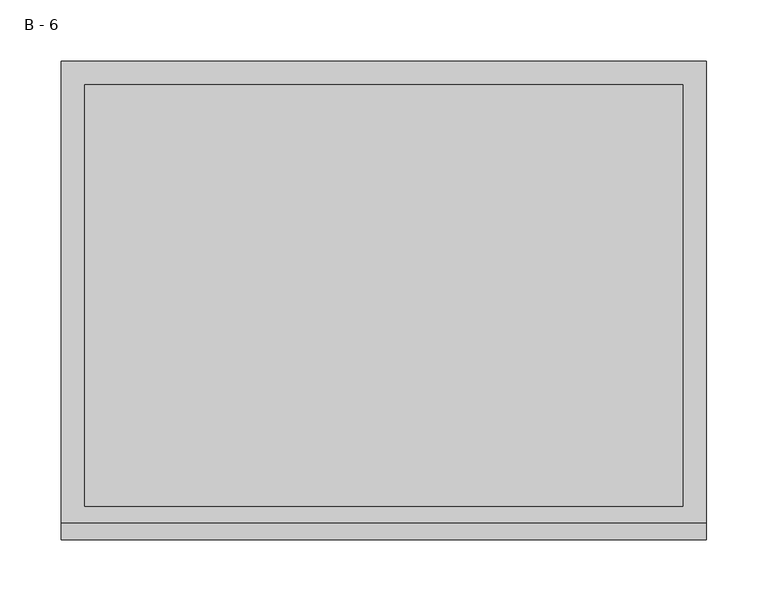
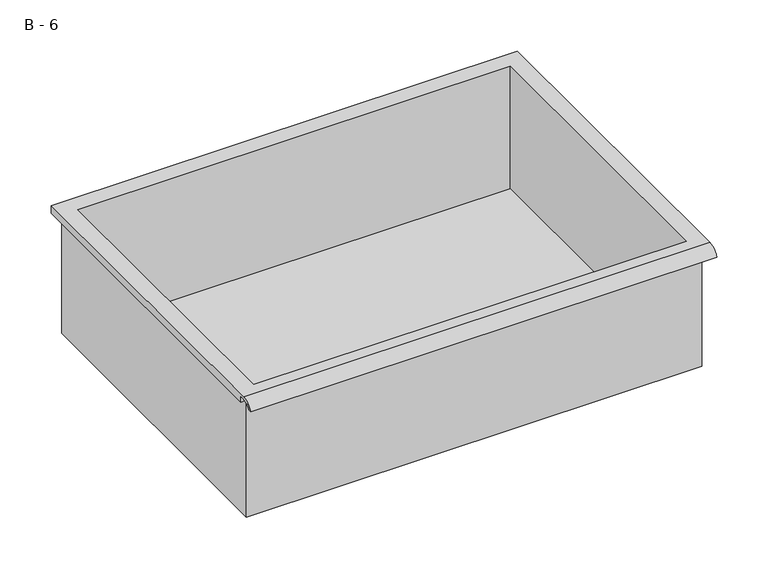
"""IFC4 building model written with IfcOpenShell, lengths in millimetres: furniture geometry, B - 6."""

import ifcopenshell
import ifcopenshell.guid

model = None  # the IFC model being written
_history = None  # IfcOwnerHistory: only IFC2X3 demands one
_inside = {}  # id of a spatial element -> (the spatial element, [elements in it])
_under = {}  # id of a project, library or spatial element -> (it, [spatial elements below it])
_declared = {}  # id of a project -> (the project, [libraries it declares])
_typed = {}  # id of a type object -> (the type object, [elements of that type])
_made_of = {}  # id of a material, layer set ... -> (it, [elements and type objects made of it])


def new_model(schema):
    """Start an empty IFC model of exactly this schema.

    Asked for "IFC4X3", IfcOpenShell would pick the latest addendum, in which some entities
    have other attributes; the version numbers below select the first issue.
    IFC2X3 requires an IfcOwnerHistory on every rooted entity: one is made here for all.
    """
    global model, _history
    if schema == "IFC4X3":
        model = ifcopenshell.file(schema_version=(4, 3, 0, 0))
    else:
        model = ifcopenshell.file(schema=schema)
    _inside.clear()
    _under.clear()
    _declared.clear()
    _typed.clear()
    _made_of.clear()
    _history = None
    if model.schema == "IFC2X3":
        org = make("IfcOrganization", Name="unknown")
        user = make(
            "IfcPersonAndOrganization",
            ThePerson=make("IfcPerson", FamilyName="unknown"),
            TheOrganization=org,
        )
        app = make(
            "IfcApplication",
            ApplicationDeveloper=org,
            Version="unknown",
            ApplicationFullName="unknown",
            ApplicationIdentifier="unknown",
        )
        _history = make(
            "IfcOwnerHistory",
            OwningUser=user,
            OwningApplication=app,
            ChangeAction="ADDED",
            CreationDate=0,
        )
    return model


def make(cls, **values):
    """One entity of the class cls with the attributes given. An attribute that is None is left unset."""
    return model.create_entity(
        cls, **{name: value for name, value in values.items() if value is not None}
    )


def rooted(cls, **values):
    """An entity with a GlobalId (a new one), such as an element, a storey or a relation."""
    return make(cls, GlobalId=ifcopenshell.guid.new(), OwnerHistory=_history, **values)


def si_unit(unit_type, name, prefix=None):
    """IfcSIUnit, for example si_unit("LENGTHUNIT", "METRE", prefix="MILLI")."""
    return make("IfcSIUnit", UnitType=unit_type, Prefix=prefix, Name=name)


def assignment(units):
    """IfcUnitAssignment: the units of a project."""
    return None if units is None else make("IfcUnitAssignment", Units=units)


def point(xyz):
    """IfcCartesianPoint."""
    return None if xyz is None else make("IfcCartesianPoint", Coordinates=xyz)


def direction(xyz):
    """IfcDirection."""
    return None if xyz is None else make("IfcDirection", DirectionRatios=xyz)


def frame(location, z_axis=None, x_axis=None):
    """IfcAxis2Placement3D, a coordinate frame: its origin and axes. An axis left out is left unset."""
    return make(
        "IfcAxis2Placement3D",
        Location=point(location),
        Axis=direction(z_axis),
        RefDirection=direction(x_axis),
    )


def origin():
    """The frame at (0, 0, 0) with its axes left unset."""
    return frame((0.0, 0.0, 0.0))


def place(relative_to, where):
    """IfcLocalPlacement: puts the frame where relative to a parent placement (None: the world)."""
    return make(
        "IfcLocalPlacement", PlacementRelTo=relative_to, RelativePlacement=where
    )


def context(
    kind, dimensions, precision=None, world=None, true_north=None, identifier=None
):
    """IfcGeometricRepresentationContext, for example the 3D "Model" context."""
    return make(
        "IfcGeometricRepresentationContext",
        ContextIdentifier=identifier,
        ContextType=kind,
        CoordinateSpaceDimension=dimensions,
        Precision=precision,
        WorldCoordinateSystem=world,
        TrueNorth=true_north,
    )


def project(units=None, contexts=None):
    """IfcProject with its units and contexts."""
    return rooted(
        "IfcProject",
        Name="project",
        RepresentationContexts=contexts,
        UnitsInContext=assignment(units),
    )


def spatial(cls, under=None, at=None, **own):
    """A site, building, storey or space (cls), placed at a placement, below another one or the project."""
    s = rooted(cls, ObjectPlacement=at, **own)
    if under is not None:
        _under.setdefault(under.id(), (under, []))[1].append(s)
    return s


def polyline(points):
    """IfcPolyline through the points."""
    return make("IfcPolyline", Points=[point(p) for p in points])


def circle_curve(where, radius):
    """IfcCircle in the frame where."""
    return make("IfcCircle", Position=where, Radius=radius)


def shape(context_of_items, identifier, shape_type, items):
    """IfcShapeRepresentation: the items that make up one representation, for example the "Body"."""
    return make(
        "IfcShapeRepresentation",
        ContextOfItems=context_of_items,
        RepresentationIdentifier=identifier,
        RepresentationType=shape_type,
        Items=items,
    )


def source(mapping_origin, context_of_items, identifier, shape_type, items):
    """IfcRepresentationMap: a shape defined once, which mapped items show again and again."""
    return make(
        "IfcRepresentationMap",
        MappingOrigin=mapping_origin,
        MappedRepresentation=shape(context_of_items, identifier, shape_type, items),
    )


def transform(
    local_origin,
    x_axis=None,
    y_axis=None,
    z_axis=None,
    scale=None,
    scale2=None,
    scale3=None,
    uniform=True,
):
    """IfcCartesianTransformationOperator3D, or its non-uniform kind. x_axis, y_axis, z_axis: its Axis1, 2, 3."""
    if uniform:
        return make(
            "IfcCartesianTransformationOperator3D",
            Axis1=direction(x_axis),
            Axis2=direction(y_axis),
            LocalOrigin=point(local_origin),
            Scale=scale,
            Axis3=direction(z_axis),
        )
    return make(
        "IfcCartesianTransformationOperator3DnonUniform",
        Axis1=direction(x_axis),
        Axis2=direction(y_axis),
        LocalOrigin=point(local_origin),
        Scale=scale,
        Axis3=direction(z_axis),
        Scale2=scale2,
        Scale3=scale3,
    )


def mapped(mapping_source, mapping_target):
    """IfcMappedItem: shows the shape of a source again, moved by a transform."""
    return make(
        "IfcMappedItem", MappingSource=mapping_source, MappingTarget=mapping_target
    )


def made_of(thing, what):
    """Note that an element or type object is made of a material, layer set ...; save() writes the relation."""
    if what is not None:
        _made_of.setdefault(what.id(), (what, []))[1].append(thing)
    return thing


def element(
    cls,
    number,
    at=None,
    inside=None,
    cuts=None,
    type_object=None,
    material=None,
    context=None,
    identifier="Body",
    shape_type=None,
    held_by="IfcProductDefinitionShape",
    body=None,
    shapes=None,
    **own,
):
    """One element of the class cls, such as IfcWall. Its Tag is "e" and its number.

    at: its placement. inside: the storey or other place that contains it. cuts: it is an
    opening in that element (IfcRelVoidsElement). A single representation is given by context,
    identifier, shape_type and body (its items); several are given by shapes. held_by: the class
    of the entity that holds the representations. save() writes the other relations.
    """
    e = rooted(cls, Tag="e%d" % number, ObjectPlacement=at, **own)
    if body is not None:
        shapes = [shape(context, identifier, shape_type, body)]
    if shapes is not None:
        e.Representation = make(held_by, Representations=shapes)
    if inside is not None:
        _inside.setdefault(inside.id(), (inside, []))[1].append(e)
    if cuts is not None:
        rooted(
            "IfcRelVoidsElement", RelatingBuildingElement=cuts, RelatedOpeningElement=e
        )
    if type_object is not None:
        _typed.setdefault(type_object.id(), (type_object, []))[1].append(e)
    return made_of(e, material)


def aggregate(whole, parts):
    """IfcRelAggregates: a whole, such as a stair, and the parts it consists of."""
    return rooted("IfcRelAggregates", RelatingObject=whole, RelatedObjects=parts)


def save(model, path):
    """Write the relations noted so far, then the file.

    IfcRelAggregates (storeys below a building ...), IfcRelContainedInSpatialStructure (elements
    in a storey), IfcRelDefinesByType, IfcRelAssociatesMaterial and IfcRelDeclares: one each for
    every whole, place, type object, material and project.
    """
    for whole, parts in _under.values():
        aggregate(whole, parts)
    for where, things in _inside.values():
        rooted(
            "IfcRelContainedInSpatialStructure",
            RelatedElements=things,
            RelatingStructure=where,
        )
    for kind, things in _typed.values():
        rooted("IfcRelDefinesByType", RelatedObjects=things, RelatingType=kind)
    for what, things in _made_of.values():
        rooted("IfcRelAssociatesMaterial", RelatedObjects=things, RelatingMaterial=what)
    for by, libraries in _declared.values():
        rooted("IfcRelDeclares", RelatingContext=by, RelatedDefinitions=libraries)
    model.write(path)


def plane_surface(at):
    """IfcPlane: the flat surface through the origin of the frame at, square to its z axis."""
    return make("IfcPlane", Position=at)


def cylinder_surface(at, radius):
    """IfcCylindricalSurface: all points at the distance radius from the z axis of the frame at."""
    return make("IfcCylindricalSurface", Position=at, Radius=radius)


def revolved_surface(curve, axis_point, axis_direction):
    """IfcSurfaceOfRevolution: the curve turned about the line through axis_point along axis_direction."""
    return make(
        "IfcSurfaceOfRevolution",
        SweptCurve=make("IfcArbitraryOpenProfileDef", ProfileType="CURVE", Curve=curve),
        AxisPosition=make("IfcAxis1Placement", Location=point(axis_point), Axis=direction(axis_direction)),
    )


def advanced_brep(points, edges, surfaces, faces):
    """IfcAdvancedBrep: a solid bounded by faces that lie on surfaces and meet in shared edges.

    An edge is (start, end): straight between two places in points (the first is 0);
    or (start, end, curve); or (start, end, curve, False) where it runs against its curve.
    A face is (place in surfaces, loops), or (place, loops, False) where it looks against
    its surface's normal. A loop lists edges by number (the first is 1), with a minus sign
    where the edge is run from its end to its start. The first loop is the outer one.
    """
    corners = [point(p) for p in points]
    vertices = [make("IfcVertexPoint", VertexGeometry=c) for c in corners]
    made = []
    for start, end, *more in edges:
        made.append(
            make(
                "IfcEdgeCurve",
                EdgeStart=vertices[start],
                EdgeEnd=vertices[end],
                EdgeGeometry=more[0] if more else make("IfcPolyline", Points=[corners[start], corners[end]]),
                SameSense=more[1] if len(more) > 1 else True,
            )
        )
    hull = []
    for where, loops, *sense in faces:
        bounds = []
        for j, loop in enumerate(loops):
            ring = [make("IfcOrientedEdge", EdgeElement=made[abs(k) - 1], Orientation=k > 0) for k in loop]
            bounds.append(
                make(
                    "IfcFaceOuterBound" if j == 0 else "IfcFaceBound",
                    Bound=make("IfcEdgeLoop", EdgeList=ring),
                    Orientation=True,
                )
            )
        hull.append(make("IfcAdvancedFace", Bounds=bounds, FaceSurface=surfaces[where], SameSense=sense[0] if sense else True))
    return make("IfcAdvancedBrep", Outer=make("IfcClosedShell", CfsFaces=hull))


def b_6_b5579dc7(model_context):
    return source(origin(), model_context, "Body", "AdvancedBrep", [
        advanced_brep(
        [(-257.1076517, -176.2125, 485.96804), (257.2423483, -176.2125, 485.96804), (257.2423483, -176.2125, 625.66804), (263.5923483, -176.2125, 625.66804), (263.5923483, -176.2125, 631.9751741), (-263.4576517, -176.2125, 631.9751741), (-263.4576517, -176.2125, 625.66804), (-257.1076517, -176.2125, 625.66804), (257.2423483, 185.7375, 485.96804), (-257.1076517, 185.7375, 485.96804), (-257.1076517, 185.7375, 625.66804), (257.2423483, 185.7375, 625.66804), (263.5923483, -181.6070544, 635.19304), (263.5923483, 195.2625, 635.19304), (-263.4576517, 195.2625, 635.19304), (-263.4576517, -181.6070544, 635.19304), (244.5423483, -168.275, 635.19304), (-244.4076517, -168.275, 635.19304), (-244.4076517, 176.2125, 635.19304), (244.5423483, 176.2125, 635.19304), (263.5923483, -195.2625, 625.66804), (263.5923483, -191.8280601, 625.66804), (263.5923483, -180.4714815, 631.9751741), (263.5923483, 195.2625, 625.66804), (-263.4576517, 195.2625, 625.66804), (-263.4576517, -180.4714815, 631.9751741), (-263.4576517, -191.8280601, 625.66804), (-263.4576517, -195.2625, 625.66804), (-244.4076517, -168.275, 488.9942119), (244.5423483, -168.275, 488.9942119), (244.5423483, 176.2125, 488.9942119), (-244.4076517, 176.2125, 488.9942119)],
        [
            (0, 1),
            (1, 2),
            (2, 3),
            (3, 4),
            (4, 5),
            (5, 6),
            (6, 7),
            (7, 0),
            (8, 9),
            (9, 10),
            (10, 11),
            (11, 8),
            (0, 9),
            (8, 1),
            (11, 2),
            (12, 13),
            (13, 14),
            (14, 15),
            (15, 12),
            (16, 17),
            (17, 18),
            (18, 19),
            (19, 16),
            (7, 10),
            (12, 20, circle_curve(frame((263.5923483, -181.6070544, 620.6420259), z_axis=(1.0, 0.0, 0.0), x_axis=(0.0, 1.0, 0.0)), 14.5510141)),
            (20, 21),
            (21, 22, circle_curve(frame((263.5923483, -181.6070544, 620.6420259), z_axis=(-1.0, 0.0, 0.0), x_axis=(0.0, 1.0, 0.0)), 11.3898979)),
            (22, 4),
            (3, 23),
            (23, 13),
            (14, 24),
            (24, 6),
            (5, 25),
            (25, 26, circle_curve(frame((-263.4576517, -181.6070544, 620.6420259), z_axis=(1.0, 0.0, 0.0), x_axis=(0.0, 1.0, 0.0)), 11.3898979)),
            (26, 27),
            (27, 15, circle_curve(frame((-263.4576517, -181.6070544, 620.6420259), z_axis=(-1.0, 0.0, 0.0), x_axis=(0.0, 1.0, 0.0)), 14.5510141)),
            (27, 20),
            (26, 21),
            (25, 22),
            (24, 23),
            (28, 29),
            (29, 30),
            (30, 31),
            (31, 28),
            (28, 17),
            (16, 29),
            (19, 30),
            (18, 31),
        ],
        [
            plane_surface(frame((257.2423483, -176.2125, 485.96804), z_axis=(0.0, -1.0, 0.0), x_axis=(1.0, 0.0, 0.0))),
            plane_surface(frame((257.2423483, 185.7375, 485.96804), z_axis=(0.0, 1.0, 0.0), x_axis=(-1.0, 0.0, 0.0))),
            plane_surface(frame((-257.1076517, -176.2125, 485.96804), z_axis=(0.0, 0.0, -1.0), x_axis=(0.0, 1.0, 0.0))),
            plane_surface(frame((257.2423483, -176.2125, 485.96804), z_axis=(1.0, 0.0, 0.0), x_axis=(0.0, 1.0, 0.0))),
            plane_surface(frame((257.2423483, -176.2125, 635.19304), z_axis=(0.0, 0.0, 1.0), x_axis=(0.0, 1.0, 0.0))),
            plane_surface(frame((-257.1076517, -176.2125, 635.19304), z_axis=(-1.0, 0.0, 0.0), x_axis=(0.0, 1.0, 0.0))),
            plane_surface(frame((263.5923483, 195.2625, 635.19304), z_axis=(1.0, 0.0, 0.0), x_axis=(0.0, -1.0, 0.0))),
            plane_surface(frame((-263.4576517, 195.2625, 635.19304), z_axis=(-1.0, 0.0, 0.0), x_axis=(0.0, 1.0, 0.0))),
            cylinder_surface(frame((-263.4576517, -181.6070544, 620.6420259), z_axis=(1.0, 0.0, 0.0), x_axis=(0.0, 1.0, 0.0)), 14.5510141),
            plane_surface(frame((263.5923483, -195.2625, 625.66804), z_axis=(0.0, -7.291233251776929e-12, -1.0), x_axis=(-1.0, 0.0, 0.0))),
            revolved_surface(polyline([(-263.4576517, -170.21715650000002, 620.6420259), (263.59234829999997, -170.21715650000002, 620.6420259)]), (-263.4576517, -181.6070544, 620.6420259), (-1.0, 0.0, 0.0)),
            plane_surface(frame((263.5923483, -180.4714815, 631.9751741), z_axis=(0.0, -1.8020319608165788e-11, -1.0), x_axis=(-1.0, 0.0, 0.0))),
            plane_surface(frame((263.5923483, -176.2125, 625.66804), z_axis=(0.0, 0.0, -1.0), x_axis=(-1.0, 0.0, 0.0))),
            plane_surface(frame((263.5923483, 195.2625, 625.66804), z_axis=(0.0, 1.0, 0.0), x_axis=(-1.0, 0.0, 0.0))),
            plane_surface(frame((244.5423483, -168.275, 488.9942119), z_axis=(0.0, 0.0, 1.0), x_axis=(-1.0, 0.0, 0.0))),
            plane_surface(frame((-244.4076517, -168.275, 635.19304), z_axis=(0.0, 1.0, 0.0), x_axis=(0.0, 0.0, -1.0))),
            plane_surface(frame((244.5423483, -168.275, 635.19304), z_axis=(-1.0, 0.0, 0.0), x_axis=(0.0, 0.0, -1.0))),
            plane_surface(frame((244.5423483, 176.2125, 635.19304), z_axis=(0.0, -1.0, 0.0), x_axis=(0.0, 0.0, -1.0))),
            plane_surface(frame((-244.4076517, 176.2125, 635.19304), z_axis=(1.0, 0.0, 0.0), x_axis=(0.0, 0.0, -1.0))),
        ],
        [
            (0, [[1, 2, 3, 4, 5, 6, 7, 8]]),
            (1, [[9, 10, 11, 12]]),
            (2, [[-1, 13, -9, 14]]),
            (3, [[-14, -12, 15, -2]]),
            (4, [[16, 17, 18, 19], [20, 21, 22, 23]]),
            (5, [[-13, -8, 24, -10]]),
            (6, [[-16, 25, 26, 27, 28, -4, 29, 30]]),
            (7, [[31, 32, -6, 33, 34, 35, 36, -18]]),
            (8, [[-25, -19, -36, 37]]),
            (9, [[-26, -37, -35, 38]]),
            (10, [[-27, -38, -34, 39]]),
            (11, [[-28, -39, -33, -5]]),
            (12, [[-29, -3, -15, -11, -24, -7, -32, 40]]),
            (13, [[-30, -40, -31, -17]]),
            (14, [[41, 42, 43, 44]]),
            (15, [[-41, 45, -20, 46]]),
            (16, [[-42, -46, -23, 47]]),
            (17, [[-43, -47, -22, 48]]),
            (18, [[-44, -48, -21, -45]]),
        ],
    ),
    ])


if __name__ == "__main__":
    model = new_model("IFC4")
    model_context = context("Model", 3, world=origin())
    ifc_project = project(units=[si_unit("LENGTHUNIT", "METRE", prefix="MILLI")], contexts=[model_context])
    site = spatial("IfcSite", under=ifc_project)
    building = spatial("IfcBuilding", under=site)
    placement = place(None, origin())
    b_6_shape = b_6_b5579dc7(model_context)
    element("IfcFurniture", 1, ObjectType="B - 6", at=placement, inside=building, context=model_context, shape_type="MappedRepresentation", body=[
        mapped(b_6_shape, transform((0.0, 0.0, 0.0), x_axis=(1.0, 0.0, 0.0), y_axis=(0.0, 1.0, 0.0), z_axis=(0.0, 0.0, 1.0))),
    ])
    save(model, "model.ifc")
